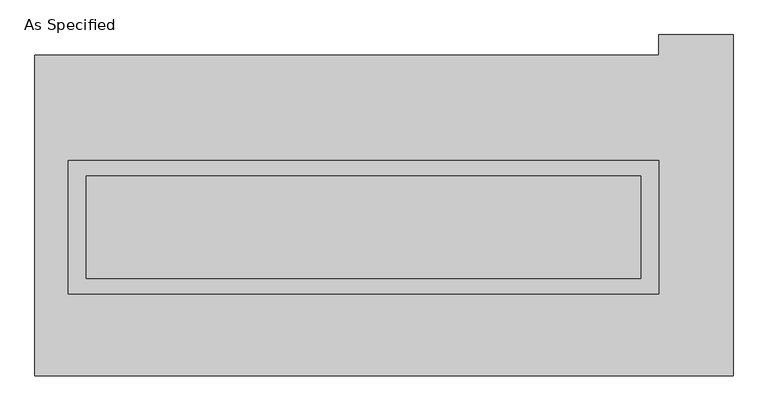
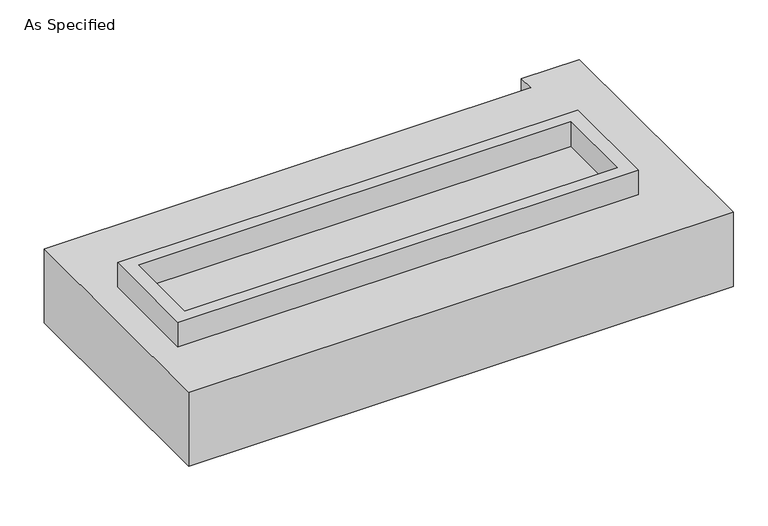
"""IFC4 building model written with IfcOpenShell, lengths in millimetres: proxy geometry, As Specified."""

from ifc_helpers import new_model, si_unit, frame, origin, place, context, project, spatial, polyline, outline, extrude, source, transform, mapped, element, save


def as_specified_aac91da4(model_context):
    return source(origin(), model_context, "Body", "SweptSolid", [
        extrude(outline(polyline([(1460.5, 273.05), (1460.5, -387.35), (-1460.5, -387.35), (-1460.5, 273.05), (1460.5, 273.05)]), holes=[polyline([(1371.6, 196.85), (-1371.6, 196.85), (-1371.6, -311.15), (1371.6, -311.15), (1371.6, 196.85)])]), frame((0.0, 0.0, -688.975), z_axis=(0.0, 0.0, 1.0), x_axis=(1.0, 0.0, 0.0)), (0.0, 0.0, 1.0), 165.1),
        extrude(outline(polyline([(1460.5, 273.05), (1460.5, -387.35), (-1460.5, -387.35), (-1460.5, 273.05), (1460.5, 273.05)]), holes=[polyline([(1371.6, 196.85), (-1371.6, 196.85), (-1371.6, -311.15), (1371.6, -311.15), (1371.6, 196.85)])]), frame((0.0, 0.0, -25.4), z_axis=(0.0, 0.0, 1.0), x_axis=(1.0, 0.0, 0.0)), (0.0, 0.0, 1.0), 165.1),
        extrude(outline(polyline([(1371.6, 196.85), (1371.6, -311.15), (-1371.6, -311.15), (-1371.6, 196.85), (1371.6, 196.85)])), frame((0.0, 0.0, -523.875), z_axis=(0.0, 0.0, 1.0), x_axis=(1.0, 0.0, 0.0)), (0.0, 0.0, 1.0), 4.9609375),
        extrude(outline(polyline([(1371.6, 196.85), (1371.6, -311.15), (-1371.6, -311.15), (-1371.6, 196.85), (1371.6, 196.85)])), frame((0.0, 0.0, -30.3609375), z_axis=(0.0, 0.0, 1.0), x_axis=(1.0, 0.0, 0.0)), (0.0, 0.0, 1.0), 4.9609375),
        extrude(outline(polyline([(1828.8, -793.75), (-1625.6, -793.75), (-1625.6, 793.75), (1460.5, 793.75), (1460.5, 895.35), (1828.8, 895.35), (1828.8, -793.75)]), holes=[polyline([(-1460.5, 273.05), (-1460.5, -387.35), (1460.5, -387.35), (1460.5, 273.05), (-1460.5, 273.05)])]), frame((0.0, 0.0, -523.875), z_axis=(0.0, 0.0, 1.0), x_axis=(1.0, 0.0, 0.0)), (0.0, 0.0, 1.0), 498.475),
    ])


if __name__ == "__main__":
    model = new_model("IFC4")
    model_context = context("Model", 3, world=origin())
    ifc_project = project(units=[si_unit("LENGTHUNIT", "METRE", prefix="MILLI")], contexts=[model_context])
    site = spatial("IfcSite", under=ifc_project)
    building = spatial("IfcBuilding", under=site)
    placement = place(None, origin())
    as_specified_shape = as_specified_aac91da4(model_context)
    element("IfcBuildingElementProxy", 1, Name="As Specified", ObjectType="As Specified", at=placement, inside=building, context=model_context, shape_type="MappedRepresentation", body=[
        mapped(as_specified_shape, transform((0.0, 0.0, 0.0), x_axis=(1.0, 0.0, 0.0), y_axis=(0.0, 1.0, 0.0), z_axis=(0.0, 0.0, 1.0))),
    ])
    save(model, "model.ifc")
